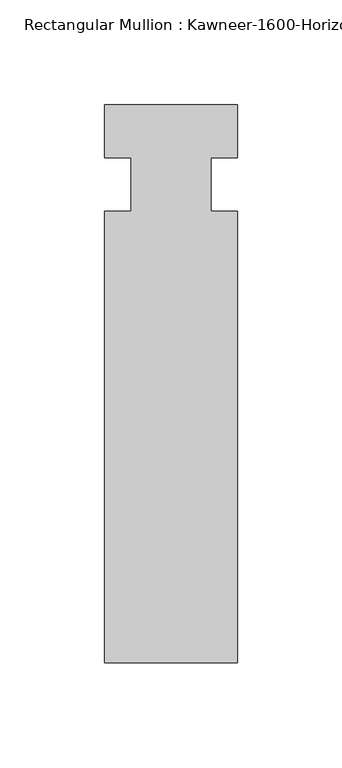
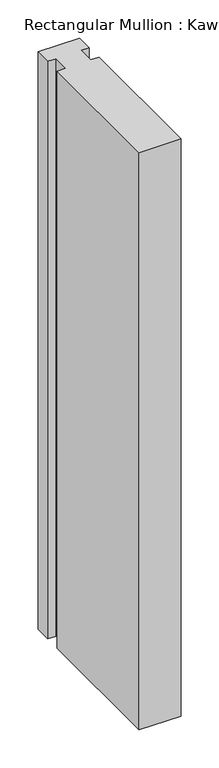
"""IFC4 building model written with IfcOpenShell, lengths in millimetres: member geometry."""

from ifc_helpers import new_model, si_unit, frame, origin, place, context, project, spatial, polyline, outline, extrude, source, transform, mapped, element, save


def member_35f3624c(model_context):
    return source(origin(), model_context, "Body", "SweptSolid", [
        extrude(outline(polyline([(31.75, -228.6), (-31.75, -228.6), (-31.75, -12.7), (-19.05, -12.7), (-19.05, 12.7), (-31.75, 12.7), (-31.75, 38.1), (31.75, 38.1), (31.75, 12.7), (19.05, 12.7), (19.05, -12.7), (31.75, -12.7), (31.75, -228.6)])), frame((0.0, 0.0, -927.1), z_axis=(0.0, 0.0, 1.0), x_axis=(1.0, 0.0, 0.0)), (0.0, 0.0, 1.0), 927.1),
    ])


if __name__ == "__main__":
    model = new_model("IFC4")
    model_context = context("Model", 3, world=origin())
    ifc_project = project(units=[si_unit("LENGTHUNIT", "METRE", prefix="MILLI")], contexts=[model_context])
    site = spatial("IfcSite", under=ifc_project)
    building = spatial("IfcBuilding", under=site)
    placement = place(None, origin())
    member_shape = member_35f3624c(model_context)
    element("IfcMember", 1, ObjectType="Rectangular Mullion : Kawneer-1600-Horizontal_Interior-System1-10_1/2\"-1\"Infill", at=placement, inside=building, context=model_context, shape_type="MappedRepresentation", body=[
        mapped(member_shape, transform((0.0, 0.0, 0.0), x_axis=(1.0, 0.0, 0.0), y_axis=(0.0, 1.0, 0.0), z_axis=(0.0, 0.0, 1.0))),
    ])
    save(model, "model.ifc")
